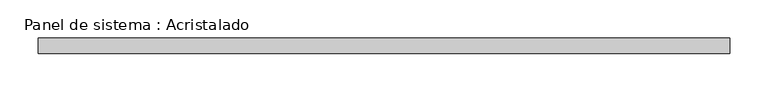
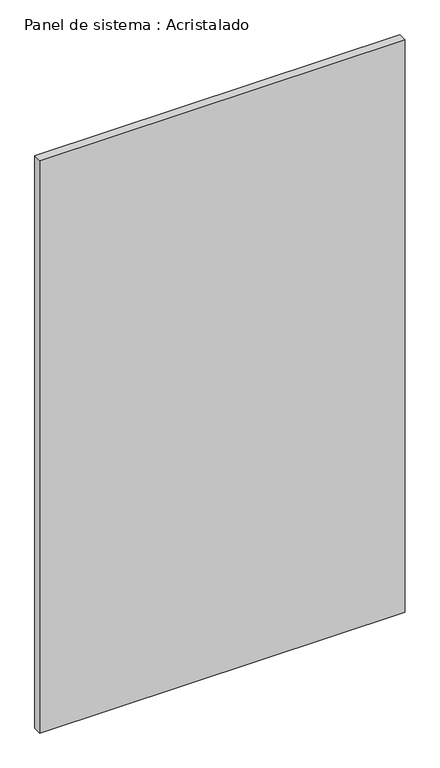
"""IFC4 building model written with IfcOpenShell, lengths in millimetres: plate geometry, Panel de sistema : Acristalado."""

from ifc_helpers import new_model, si_unit, origin, origin_with_axes, place, context, project, spatial, polyline, outline, extrude, source, transform, mapped, element, save


def panel_de_sistema_acristalado_15be825b(model_context):
    return source(origin(), model_context, "Body", "SweptSolid", [
        extrude(outline(polyline([(451.2967979, -10.0), (-451.2967979, -10.0), (-451.2967979, 10.0), (451.2967979, 10.0), (451.2967979, -10.0)])), origin_with_axes(), (0.0, 0.0, 1.0), 1494.4303161),
    ])


if __name__ == "__main__":
    model = new_model("IFC4")
    model_context = context("Model", 3, world=origin())
    ifc_project = project(units=[si_unit("LENGTHUNIT", "METRE", prefix="MILLI")], contexts=[model_context])
    site = spatial("IfcSite", under=ifc_project)
    building = spatial("IfcBuilding", under=site)
    placement = place(None, origin())
    panel_de_sistema_acristalado_shape = panel_de_sistema_acristalado_15be825b(model_context)
    element("IfcPlate", 1, ObjectType="Panel de sistema : Acristalado", at=placement, inside=building, context=model_context, shape_type="MappedRepresentation", body=[
        mapped(panel_de_sistema_acristalado_shape, transform((0.0, 0.0, 0.0), x_axis=(1.0, 0.0, 0.0), y_axis=(0.0, 1.0, 0.0), z_axis=(0.0, 0.0, 1.0))),
    ])
    save(model, "model.ifc")
